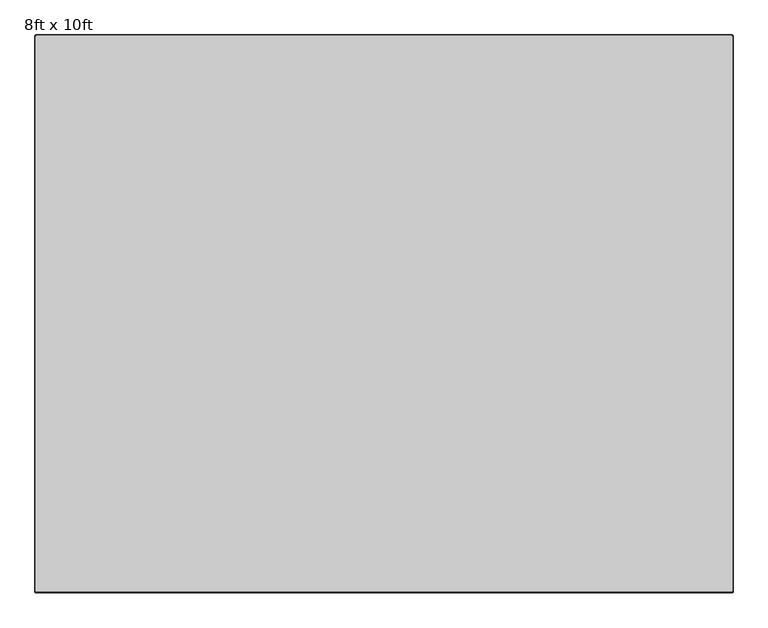
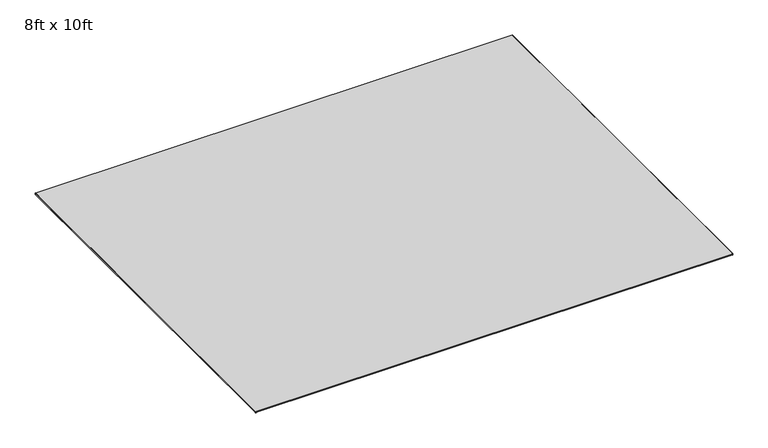
"""IFC4 building model written with IfcOpenShell, lengths in millimetres: furniture geometry, 8ft x 10ft."""

from ifc_helpers import new_model, si_unit, frame, origin, place, context, project, spatial, polyline, circle_curve, source, transform, mapped, element, save
from ifc_brep_helpers import plane_surface, cylinder_surface, revolved_surface, advanced_brep


def furniture_8ft_x_10ft_a33dcf98(model_context):
    return source(origin(), model_context, "Body", "AdvancedBrep", [
        advanced_brep(
        [(-658.8809829, 798.9249977, 6.9850002), (-661.4265124, 796.3794681, 6.9850002), (-661.4265124, -1631.8550023, 6.9850002), (-658.8865124, -1634.3950023, 6.9850002), (2378.9533713, -1634.3950023, 6.9850002), (2381.4933713, -1631.8550023, 6.9850002), (2381.4933713, 796.3849977, 6.9850002), (2378.9533713, 798.9249977, 6.9850002), (-663.9665124, 796.3794681, 4.4450002), (-658.8809829, 801.4649977, 4.4450002), (-658.8809829, 801.4649977, 0.0), (-663.9665124, 796.3794681, 0.0), (-663.9665124, -1631.8550023, 0.0), (-663.9665124, -1631.8550023, 4.4450002), (-658.8865124, -1636.9350023, 0.0), (-658.8865124, -1636.9350023, 4.4450002), (2378.9533713, -1636.9350023, 0.0), (2378.9533713, -1636.9350023, 4.4450002), (2384.0333713, -1631.8550023, 0.0), (2384.0333713, -1631.8550023, 4.4450002), (2384.0333713, 796.3849977, 0.0), (2384.0333713, 796.3849977, 4.4450002), (2378.9533713, 801.4649977, 0.0), (2378.9533713, 801.4649977, 4.4450002)],
        [
            (0, 1, circle_curve(frame((-658.8809829, 796.3794681, 6.9850002), z_axis=(0.0, 0.0, 1.0), x_axis=(0.0, 1.0, 0.0)), 2.5455296)),
            (1, 2),
            (2, 3, circle_curve(frame((-658.8865124, -1631.8550023, 6.9850002), z_axis=(0.0, 0.0, 1.0), x_axis=(-1.0, 0.0, 0.0)), 2.54)),
            (3, 4),
            (4, 5, circle_curve(frame((2378.9533713, -1631.8550023, 6.9850002), z_axis=(0.0, 0.0, 1.0), x_axis=(0.0, -1.0, 0.0)), 2.54)),
            (5, 6),
            (6, 7, circle_curve(frame((2378.9533713, 796.3849977, 6.9850002), z_axis=(0.0, 0.0, 1.0), x_axis=(1.0, 0.0, 0.0)), 2.54)),
            (7, 0),
            (8, 9, circle_curve(frame((-658.8809829, 796.3794681, 4.4450002), z_axis=(0.0, 0.0, -1.0), x_axis=(0.0, 1.0, 0.0)), 5.0855296)),
            (9, 10),
            (10, 11, circle_curve(frame((-658.8809829, 796.3794681, 0.0), z_axis=(0.0, 0.0, 1.0), x_axis=(0.0, 1.0, 0.0)), 5.0855296)),
            (11, 8),
            (8, 1),
            (0, 9),
            (11, 12),
            (12, 13),
            (13, 8),
            (13, 2),
            (12, 14, circle_curve(frame((-658.8865124, -1631.8550023, 0.0), z_axis=(0.0, 0.0, 1.0), x_axis=(-1.0, 0.0, 0.0)), 5.08)),
            (14, 15),
            (15, 13, circle_curve(frame((-658.8865124, -1631.8550023, 4.4450002), z_axis=(0.0, 0.0, -1.0), x_axis=(-1.0, 0.0, 0.0)), 5.08)),
            (15, 3),
            (14, 16),
            (16, 17),
            (17, 15),
            (17, 4),
            (16, 18, circle_curve(frame((2378.9533713, -1631.8550023, 0.0), z_axis=(0.0, 0.0, 1.0), x_axis=(0.0, -1.0, 0.0)), 5.08)),
            (18, 19),
            (19, 17, circle_curve(frame((2378.9533713, -1631.8550023, 4.4450002), z_axis=(0.0, 0.0, -1.0), x_axis=(0.0, -1.0, 0.0)), 5.08)),
            (19, 5),
            (18, 20),
            (20, 21),
            (21, 19),
            (21, 6),
            (20, 22, circle_curve(frame((2378.9533713, 796.3849977, 0.0), z_axis=(0.0, 0.0, 1.0), x_axis=(1.0, 0.0, 0.0)), 5.08)),
            (22, 23),
            (23, 21, circle_curve(frame((2378.9533713, 796.3849977, 4.4450002), z_axis=(0.0, 0.0, -1.0), x_axis=(1.0, 0.0, 0.0)), 5.08)),
            (23, 7),
            (10, 22),
            (9, 23),
        ],
        [
            plane_surface(frame((-658.8809829, 798.9249977, 6.9850002), z_axis=(0.0, 0.0, 1.0), x_axis=(-1.0, 0.0, 0.0))),
            cylinder_surface(frame((-658.8809829, 796.3794681, 0.0), z_axis=(0.0, 0.0, 1.0), x_axis=(0.0, 1.0, 0.0)), 5.0855296),
            revolved_surface(polyline([(-658.8809829, 801.4649977, 4.4450002), (-658.8809829, 798.9249977, 6.9850002)]), (-658.8809829, 796.3794681, 0.0), (0.0, 0.0, 1.0)),
            plane_surface(frame((-663.9665124, 796.3794681, 0.0), z_axis=(-1.0, 0.0, 0.0), x_axis=(0.0, -1.0, 0.0))),
            plane_surface(frame((-663.9665124, 796.3794681, 4.4450002), z_axis=(-0.7071067811865469, 0.0, 0.7071067811865482), x_axis=(0.0, -1.0, 0.0))),
            cylinder_surface(frame((-658.8865124, -1631.8550023, 0.0), z_axis=(0.0, 0.0, 1.0), x_axis=(-1.0, 0.0, 0.0)), 5.08),
            revolved_surface(polyline([(-663.9665124, -1631.8550023, 4.4450002), (-661.4265124, -1631.8550023, 6.9850002)]), (-658.8865124, -1631.8550023, 0.0), (0.0, 0.0, 1.0)),
            plane_surface(frame((-658.8865124, -1636.9350023, 0.0), z_axis=(0.0, -1.0, 0.0), x_axis=(1.0, 0.0, 0.0))),
            plane_surface(frame((-658.8865124, -1636.9350023, 4.4450002), z_axis=(0.0, -0.7071067811865469, 0.7071067811865482), x_axis=(1.0, 0.0, 0.0))),
            cylinder_surface(frame((2378.9533713, -1631.8550023, 0.0), z_axis=(0.0, 0.0, 1.0), x_axis=(0.0, -1.0, 0.0)), 5.08),
            revolved_surface(polyline([(2378.9533713, -1636.9350023, 4.4450002), (2378.9533713, -1634.3950023, 6.9850002)]), (2378.9533713, -1631.8550023, 0.0), (0.0, 0.0, 1.0)),
            plane_surface(frame((2384.0333713, -1631.8550023, 0.0), z_axis=(1.0, 0.0, 0.0), x_axis=(0.0, 1.0, 0.0))),
            plane_surface(frame((2384.0333713, -1631.8550023, 4.4450002), z_axis=(0.7071067811865469, 0.0, 0.7071067811865482), x_axis=(0.0, 1.0, 0.0))),
            cylinder_surface(frame((2378.9533713, 796.3849977, 0.0), z_axis=(0.0, 0.0, 1.0), x_axis=(1.0, 0.0, 0.0)), 5.08),
            revolved_surface(polyline([(2384.0333713, 796.3849977, 4.4450002), (2381.4933713, 796.3849977, 6.9850002)]), (2378.9533713, 796.3849977, 0.0), (0.0, 0.0, 1.0)),
            plane_surface(frame((2378.9533713, 798.9249977, 0.0), z_axis=(0.0, 0.0, -1.0), x_axis=(-1.0, 0.0, 0.0))),
            plane_surface(frame((2378.9533713, 801.4649977, 0.0), z_axis=(0.0, 1.0, 0.0), x_axis=(-1.0, 0.0, 0.0))),
            plane_surface(frame((2378.9533713, 801.4649977, 4.4450002), z_axis=(0.0, 0.7071067811865469, 0.7071067811865482), x_axis=(-1.0, 0.0, 0.0))),
        ],
        [
            (0, [[1, 2, 3, 4, 5, 6, 7, 8]]),
            (1, [[9, 10, 11, 12]]),
            (2, [[-9, 13, -1, 14]]),
            (3, [[-12, 15, 16, 17]]),
            (4, [[-13, -17, 18, -2]]),
            (5, [[-16, 19, 20, 21]]),
            (6, [[-18, -21, 22, -3]]),
            (7, [[-20, 23, 24, 25]]),
            (8, [[-22, -25, 26, -4]]),
            (9, [[-24, 27, 28, 29]]),
            (10, [[-26, -29, 30, -5]]),
            (11, [[-28, 31, 32, 33]]),
            (12, [[-30, -33, 34, -6]]),
            (13, [[-32, 35, 36, 37]]),
            (14, [[-34, -37, 38, -7]]),
            (15, [[-11, 39, -35, -31, -27, -23, -19, -15]]),
            (16, [[-10, 40, -36, -39]]),
            (17, [[-14, -8, -38, -40]]),
        ],
    ),
    ])


if __name__ == "__main__":
    model = new_model("IFC4")
    model_context = context("Model", 3, world=origin())
    ifc_project = project(units=[si_unit("LENGTHUNIT", "METRE", prefix="MILLI")], contexts=[model_context])
    site = spatial("IfcSite", under=ifc_project)
    building = spatial("IfcBuilding", under=site)
    placement = place(None, origin())
    furniture_8ft_x_10ft_shape = furniture_8ft_x_10ft_a33dcf98(model_context)
    element("IfcFurniture", 1, ObjectType="8ft x 10ft", at=placement, inside=building, context=model_context, shape_type="MappedRepresentation", body=[
        mapped(furniture_8ft_x_10ft_shape, transform((0.0, 0.0, 0.0), x_axis=(1.0, 0.0, 0.0), y_axis=(0.0, 1.0, 0.0), z_axis=(0.0, 0.0, 1.0))),
    ])
    save(model, "model.ifc")
